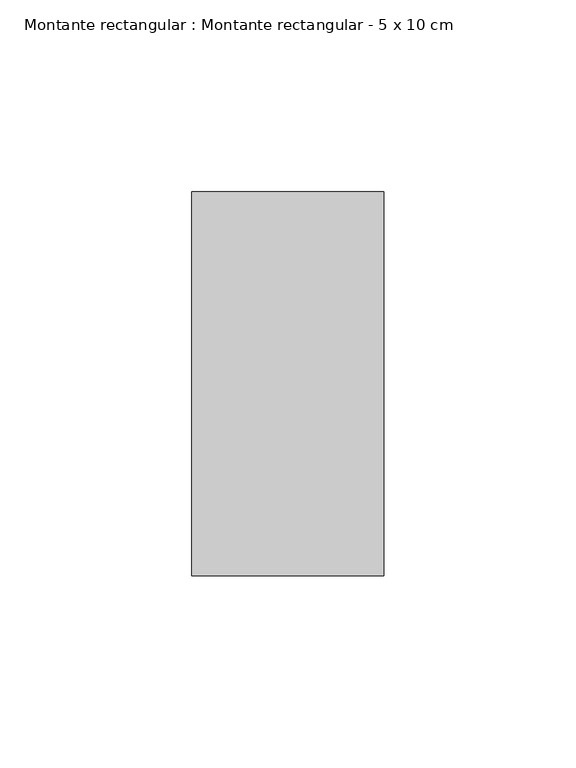
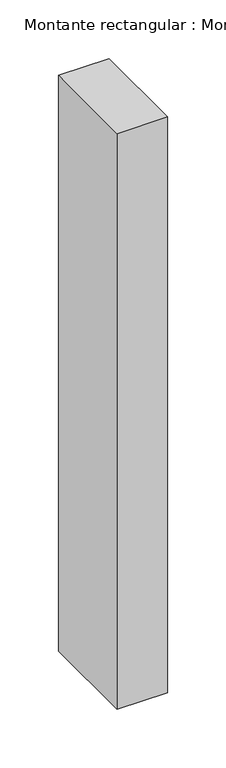
"""IFC4 building model written with IfcOpenShell, lengths in millimetres: member geometry, Montante rectangular : Montante rectangular - 5 x 10 cm."""

import ifcopenshell
import ifcopenshell.guid

model = None  # the IFC model being written
_history = None  # IfcOwnerHistory: only IFC2X3 demands one
_inside = {}  # id of a spatial element -> (the spatial element, [elements in it])
_under = {}  # id of a project, library or spatial element -> (it, [spatial elements below it])
_declared = {}  # id of a project -> (the project, [libraries it declares])
_typed = {}  # id of a type object -> (the type object, [elements of that type])
_made_of = {}  # id of a material, layer set ... -> (it, [elements and type objects made of it])


def new_model(schema):
    """Start an empty IFC model of exactly this schema.

    Asked for "IFC4X3", IfcOpenShell would pick the latest addendum, in which some entities
    have other attributes; the version numbers below select the first issue.
    IFC2X3 requires an IfcOwnerHistory on every rooted entity: one is made here for all.
    """
    global model, _history
    if schema == "IFC4X3":
        model = ifcopenshell.file(schema_version=(4, 3, 0, 0))
    else:
        model = ifcopenshell.file(schema=schema)
    _inside.clear()
    _under.clear()
    _declared.clear()
    _typed.clear()
    _made_of.clear()
    _history = None
    if model.schema == "IFC2X3":
        org = make("IfcOrganization", Name="unknown")
        user = make(
            "IfcPersonAndOrganization",
            ThePerson=make("IfcPerson", FamilyName="unknown"),
            TheOrganization=org,
        )
        app = make(
            "IfcApplication",
            ApplicationDeveloper=org,
            Version="unknown",
            ApplicationFullName="unknown",
            ApplicationIdentifier="unknown",
        )
        _history = make(
            "IfcOwnerHistory",
            OwningUser=user,
            OwningApplication=app,
            ChangeAction="ADDED",
            CreationDate=0,
        )
    return model


def make(cls, **values):
    """One entity of the class cls with the attributes given. An attribute that is None is left unset."""
    return model.create_entity(
        cls, **{name: value for name, value in values.items() if value is not None}
    )


def rooted(cls, **values):
    """An entity with a GlobalId (a new one), such as an element, a storey or a relation."""
    return make(cls, GlobalId=ifcopenshell.guid.new(), OwnerHistory=_history, **values)


def si_unit(unit_type, name, prefix=None):
    """IfcSIUnit, for example si_unit("LENGTHUNIT", "METRE", prefix="MILLI")."""
    return make("IfcSIUnit", UnitType=unit_type, Prefix=prefix, Name=name)


def assignment(units):
    """IfcUnitAssignment: the units of a project."""
    return None if units is None else make("IfcUnitAssignment", Units=units)


def point(xyz):
    """IfcCartesianPoint."""
    return None if xyz is None else make("IfcCartesianPoint", Coordinates=xyz)


def direction(xyz):
    """IfcDirection."""
    return None if xyz is None else make("IfcDirection", DirectionRatios=xyz)


def frame(location, z_axis=None, x_axis=None):
    """IfcAxis2Placement3D, a coordinate frame: its origin and axes. An axis left out is left unset."""
    return make(
        "IfcAxis2Placement3D",
        Location=point(location),
        Axis=direction(z_axis),
        RefDirection=direction(x_axis),
    )


def origin():
    """The frame at (0, 0, 0) with its axes left unset."""
    return frame((0.0, 0.0, 0.0))


def place(relative_to, where):
    """IfcLocalPlacement: puts the frame where relative to a parent placement (None: the world)."""
    return make(
        "IfcLocalPlacement", PlacementRelTo=relative_to, RelativePlacement=where
    )


def context(
    kind, dimensions, precision=None, world=None, true_north=None, identifier=None
):
    """IfcGeometricRepresentationContext, for example the 3D "Model" context."""
    return make(
        "IfcGeometricRepresentationContext",
        ContextIdentifier=identifier,
        ContextType=kind,
        CoordinateSpaceDimension=dimensions,
        Precision=precision,
        WorldCoordinateSystem=world,
        TrueNorth=true_north,
    )


def project(units=None, contexts=None):
    """IfcProject with its units and contexts."""
    return rooted(
        "IfcProject",
        Name="project",
        RepresentationContexts=contexts,
        UnitsInContext=assignment(units),
    )


def spatial(cls, under=None, at=None, **own):
    """A site, building, storey or space (cls), placed at a placement, below another one or the project."""
    s = rooted(cls, ObjectPlacement=at, **own)
    if under is not None:
        _under.setdefault(under.id(), (under, []))[1].append(s)
    return s


def polyline(points):
    """IfcPolyline through the points."""
    return make("IfcPolyline", Points=[point(p) for p in points])


def outline(outer, holes=None, kind="AREA"):
    """IfcArbitraryClosedProfileDef: a profile drawn as a closed curve; with holes, ...WithVoids."""
    if holes is None:
        return make("IfcArbitraryClosedProfileDef", ProfileType=kind, OuterCurve=outer)
    return make(
        "IfcArbitraryProfileDefWithVoids",
        ProfileType=kind,
        OuterCurve=outer,
        InnerCurves=holes,
    )


def extrude(swept, where, along, depth):
    """IfcExtrudedAreaSolid: the profile swept, set in the frame where, extruded along a direction by depth."""
    return make(
        "IfcExtrudedAreaSolid",
        SweptArea=swept,
        Position=where,
        ExtrudedDirection=direction(along),
        Depth=depth,
    )


def shape(context_of_items, identifier, shape_type, items):
    """IfcShapeRepresentation: the items that make up one representation, for example the "Body"."""
    return make(
        "IfcShapeRepresentation",
        ContextOfItems=context_of_items,
        RepresentationIdentifier=identifier,
        RepresentationType=shape_type,
        Items=items,
    )


def source(mapping_origin, context_of_items, identifier, shape_type, items):
    """IfcRepresentationMap: a shape defined once, which mapped items show again and again."""
    return make(
        "IfcRepresentationMap",
        MappingOrigin=mapping_origin,
        MappedRepresentation=shape(context_of_items, identifier, shape_type, items),
    )


def transform(
    local_origin,
    x_axis=None,
    y_axis=None,
    z_axis=None,
    scale=None,
    scale2=None,
    scale3=None,
    uniform=True,
):
    """IfcCartesianTransformationOperator3D, or its non-uniform kind. x_axis, y_axis, z_axis: its Axis1, 2, 3."""
    if uniform:
        return make(
            "IfcCartesianTransformationOperator3D",
            Axis1=direction(x_axis),
            Axis2=direction(y_axis),
            LocalOrigin=point(local_origin),
            Scale=scale,
            Axis3=direction(z_axis),
        )
    return make(
        "IfcCartesianTransformationOperator3DnonUniform",
        Axis1=direction(x_axis),
        Axis2=direction(y_axis),
        LocalOrigin=point(local_origin),
        Scale=scale,
        Axis3=direction(z_axis),
        Scale2=scale2,
        Scale3=scale3,
    )


def mapped(mapping_source, mapping_target):
    """IfcMappedItem: shows the shape of a source again, moved by a transform."""
    return make(
        "IfcMappedItem", MappingSource=mapping_source, MappingTarget=mapping_target
    )


def made_of(thing, what):
    """Note that an element or type object is made of a material, layer set ...; save() writes the relation."""
    if what is not None:
        _made_of.setdefault(what.id(), (what, []))[1].append(thing)
    return thing


def element(
    cls,
    number,
    at=None,
    inside=None,
    cuts=None,
    type_object=None,
    material=None,
    context=None,
    identifier="Body",
    shape_type=None,
    held_by="IfcProductDefinitionShape",
    body=None,
    shapes=None,
    **own,
):
    """One element of the class cls, such as IfcWall. Its Tag is "e" and its number.

    at: its placement. inside: the storey or other place that contains it. cuts: it is an
    opening in that element (IfcRelVoidsElement). A single representation is given by context,
    identifier, shape_type and body (its items); several are given by shapes. held_by: the class
    of the entity that holds the representations. save() writes the other relations.
    """
    e = rooted(cls, Tag="e%d" % number, ObjectPlacement=at, **own)
    if body is not None:
        shapes = [shape(context, identifier, shape_type, body)]
    if shapes is not None:
        e.Representation = make(held_by, Representations=shapes)
    if inside is not None:
        _inside.setdefault(inside.id(), (inside, []))[1].append(e)
    if cuts is not None:
        rooted(
            "IfcRelVoidsElement", RelatingBuildingElement=cuts, RelatedOpeningElement=e
        )
    if type_object is not None:
        _typed.setdefault(type_object.id(), (type_object, []))[1].append(e)
    return made_of(e, material)


def aggregate(whole, parts):
    """IfcRelAggregates: a whole, such as a stair, and the parts it consists of."""
    return rooted("IfcRelAggregates", RelatingObject=whole, RelatedObjects=parts)


def save(model, path):
    """Write the relations noted so far, then the file.

    IfcRelAggregates (storeys below a building ...), IfcRelContainedInSpatialStructure (elements
    in a storey), IfcRelDefinesByType, IfcRelAssociatesMaterial and IfcRelDeclares: one each for
    every whole, place, type object, material and project.
    """
    for whole, parts in _under.values():
        aggregate(whole, parts)
    for where, things in _inside.values():
        rooted(
            "IfcRelContainedInSpatialStructure",
            RelatedElements=things,
            RelatingStructure=where,
        )
    for kind, things in _typed.values():
        rooted("IfcRelDefinesByType", RelatedObjects=things, RelatingType=kind)
    for what, things in _made_of.values():
        rooted("IfcRelAssociatesMaterial", RelatedObjects=things, RelatingMaterial=what)
    for by, libraries in _declared.values():
        rooted("IfcRelDeclares", RelatingContext=by, RelatedDefinitions=libraries)
    model.write(path)


def montante_rectangular_montante_rectangular_5_x_10_cm_72414777(model_context):
    return source(origin(), model_context, "Body", "SweptSolid", [
        extrude(outline(polyline([(-50.0, 50.0), (0.0, 50.0), (0.0, -50.0), (-50.0, -50.0), (-50.0, 50.0)])), frame((0.0, 0.0, -600.0), z_axis=(0.0, 0.0, 1.0), x_axis=(1.0, 0.0, 0.0)), (0.0, 0.0, 1.0), 600.0),
    ])


if __name__ == "__main__":
    model = new_model("IFC4")
    model_context = context("Model", 3, world=origin())
    ifc_project = project(units=[si_unit("LENGTHUNIT", "METRE", prefix="MILLI")], contexts=[model_context])
    site = spatial("IfcSite", under=ifc_project)
    building = spatial("IfcBuilding", under=site)
    placement = place(None, origin())
    montante_rectangular_montante_rectangular_5_x_10_cm_shape = montante_rectangular_montante_rectangular_5_x_10_cm_72414777(model_context)
    element("IfcMember", 1, ObjectType="Montante rectangular : Montante rectangular - 5 x 10 cm", at=placement, inside=building, context=model_context, shape_type="MappedRepresentation", body=[
        mapped(montante_rectangular_montante_rectangular_5_x_10_cm_shape, transform((0.0, 0.0, 0.0), x_axis=(1.0, 0.0, 0.0), y_axis=(0.0, 1.0, 0.0), z_axis=(0.0, 0.0, 1.0))),
    ])
    save(model, "model.ifc")
